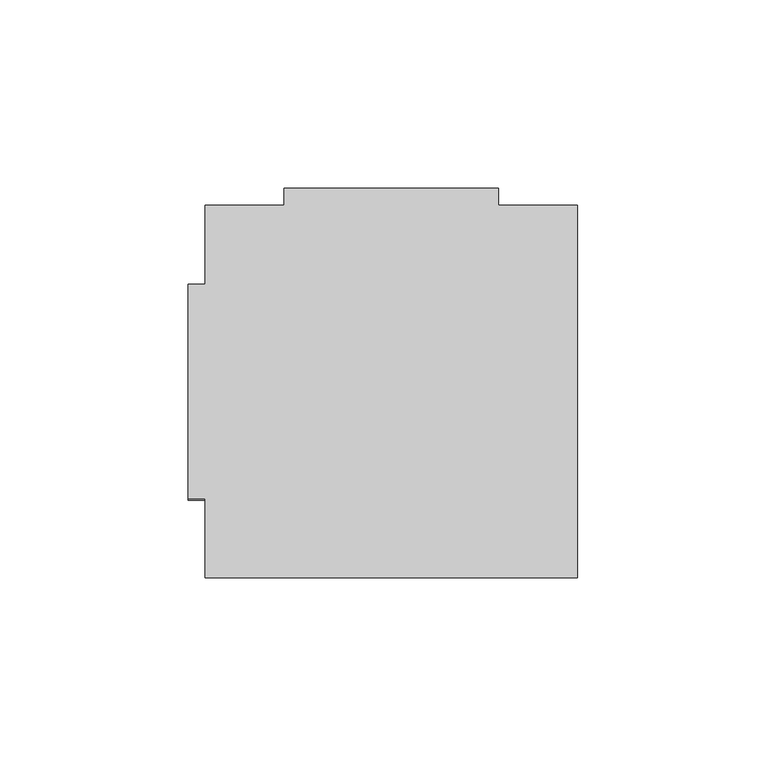
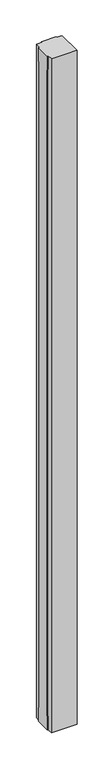
"""IFC4 building model written with IfcOpenShell, lengths in millimetres: furniture geometry."""

from ifc_helpers import new_model, si_unit, origin, place, context, project, spatial, faceted_brep, source, transform, mapped, element, save


def furniture_9e4bbaf2(model_context):
    return source(origin(), model_context, "Body", "Brep", [
        faceted_brep([(79.121, 307.975, 55.118), (82.423, 307.975, 55.118), (82.423, 307.975, 0.0), (25.527, 307.975, 0.0), (25.527, 307.975, 55.118), (28.829, 307.975, 55.118), (28.829, 307.975, 2688.082), (25.527, 307.975, 2688.082), (25.527, 307.975, 2743.2), (82.423, 307.975, 2743.2), (82.423, 307.975, 2688.082), (79.121, 307.975, 2688.082), (79.121, 303.4792, 2688.082), (79.121, 303.4792, 55.118), (82.423, 303.4792, 2688.082), (82.423, 303.4792, 2743.2), (25.527, 303.4792, 2743.2), (4.4958, 303.4792, 2743.2), (4.4958, 282.448, 2743.2), (0.0, 282.448, 2743.2), (0.0, 225.552, 2743.2), (4.4958, 225.552, 2743.2), (4.4958, 204.5208, 2743.2), (103.4542, 204.5208, 2743.2), (103.4542, 303.4792, 2743.2), (25.527, 303.4792, 2688.082), (28.829, 303.4792, 2688.082), (28.829, 303.4792, 55.118), (25.527, 303.4792, 55.118), (25.527, 303.4792, 0.0), (82.423, 303.4792, 0.0), (103.4542, 303.4792, 0.0), (103.4542, 204.5208, 0.0), (4.4958, 204.5208, 0.0), (4.4958, 225.552, 0.0), (0.0, 225.552, 0.0), (0.0, 282.448, 0.0), (4.4958, 282.448, 0.0), (4.4958, 303.4792, 0.0), (82.423, 303.4792, 55.118), (4.4958, 225.552, 2688.082), (4.4958, 228.854, 2688.082), (4.4958, 228.854, 55.118), (4.4958, 225.552, 55.118), (4.4958, 282.448, 55.118), (4.4958, 279.146, 55.118), (4.4958, 279.146, 2688.082), (4.4958, 282.448, 2688.082), (0.0, 228.854, 55.118), (0.0, 228.854, 2688.082), (0.0, 225.552, 2688.082), (0.0, 282.448, 2688.082), (0.0, 279.146, 2688.082), (0.0, 279.146, 55.118), (0.0, 282.448, 55.118), (0.0, 225.552, 55.118)], [[[0, 1, 2, 3, 4, 5, 6, 7, 8, 9, 10, 11]], [[11, 12, 13, 0]], [[10, 14, 12, 11]], [[9, 15, 14, 10]], [[8, 16, 17, 18, 19, 20, 21, 22, 23, 24, 15, 9]], [[7, 25, 16, 8]], [[6, 26, 25, 7]], [[5, 27, 26, 6]], [[4, 28, 27, 5]], [[3, 29, 28, 4]], [[2, 30, 31, 32, 33, 34, 35, 36, 37, 38, 29, 3]], [[1, 39, 30, 2]], [[0, 13, 39, 1]], [[22, 33, 32, 23]], [[22, 21, 40, 41, 42, 43, 34, 33]], [[38, 37, 44, 45, 46, 47, 18, 17]], [[17, 16, 25, 26, 27, 28, 29, 38]], [[31, 30, 39, 13, 12, 14, 15, 24]], [[23, 32, 31, 24]], [[48, 49, 50, 20, 19, 51, 52, 53, 54, 36, 35, 55]], [[48, 42, 41, 49]], [[49, 41, 40, 50]], [[50, 40, 21, 20]], [[19, 18, 47, 51]], [[51, 47, 46, 52]], [[52, 46, 45, 53]], [[53, 45, 44, 54]], [[54, 44, 37, 36]], [[35, 34, 43, 55]], [[55, 43, 42, 48]]]),
    ])


if __name__ == "__main__":
    model = new_model("IFC4")
    model_context = context("Model", 3, world=origin())
    ifc_project = project(units=[si_unit("LENGTHUNIT", "METRE", prefix="MILLI")], contexts=[model_context])
    site = spatial("IfcSite", under=ifc_project)
    building = spatial("IfcBuilding", under=site)
    placement = place(None, origin())
    furniture_shape = furniture_9e4bbaf2(model_context)
    element("IfcFurniture", 1, at=placement, inside=building, context=model_context, shape_type="MappedRepresentation", body=[
        mapped(furniture_shape, transform((0.0, 0.0, 0.0), x_axis=(1.0, 0.0, 0.0), y_axis=(0.0, 1.0, 0.0), z_axis=(0.0, 0.0, 1.0))),
    ])
    save(model, "model.ifc")
